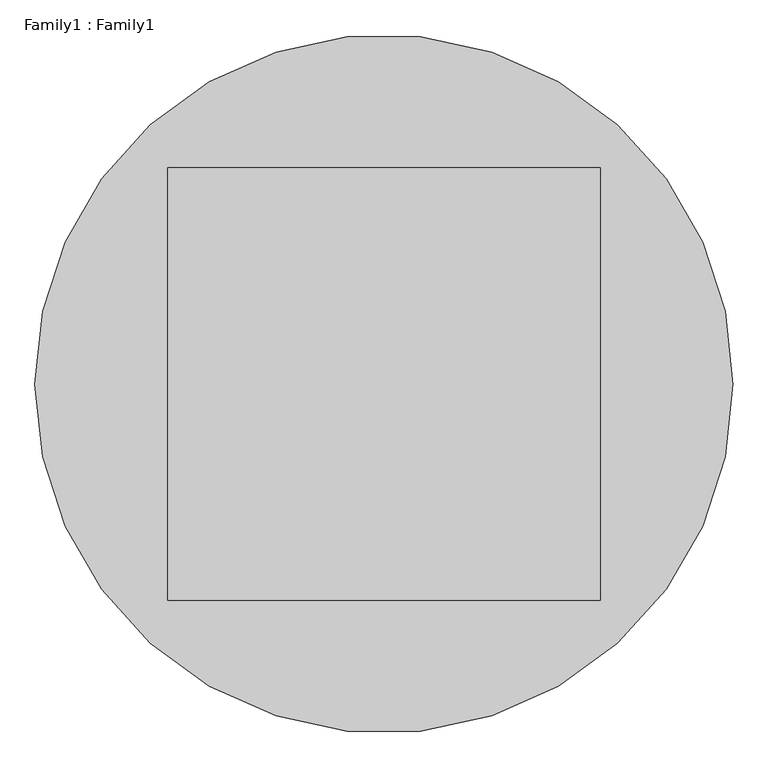
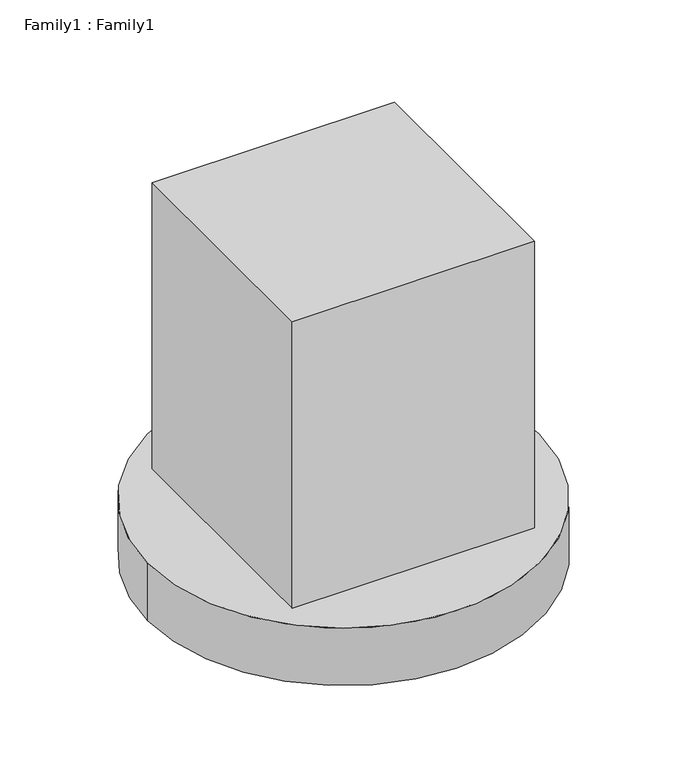
"""IFC4 building model written with IfcOpenShell, lengths in millimetres: proxy geometry, Family1 : Family1."""

from ifc_helpers import new_model, si_unit, point, frame, origin, origin_with_axes, origin_2d, place, context, project, spatial, polyline, circle_curve, trimmed, segment, composite_curve, outline, extrude, source, transform, mapped, element, save


def family1_family1_5703c362(model_context):
    return source(origin(), model_context, "Body", "SweptSolid", [
        extrude(outline(composite_curve([segment(trimmed(circle_curve(origin_2d(), 807.1067812), [point((-807.1067812, 0.0))], [point((807.1067812, 0.0))], False, "CARTESIAN"), True, "CONTINUOUS"), segment(trimmed(circle_curve(origin_2d(), 807.1067812), [point((807.1067812, 0.0))], [point((-807.1067812, 0.0))], False, "CARTESIAN"), True, "CONTINUOUS")], self_intersect=False)), origin_with_axes(), (0.0, 0.0, 1.0), 250.0),
        extrude(outline(polyline([(500.0, 500.0), (500.0, -500.0), (-500.0, -500.0), (-500.0, 500.0), (500.0, 500.0)])), frame((0.0, 0.0, 250.0), z_axis=(0.0, 0.0, 1.0), x_axis=(1.0, 0.0, 0.0)), (0.0, 0.0, 1.0), 1250.0),
    ])


if __name__ == "__main__":
    model = new_model("IFC4")
    model_context = context("Model", 3, world=origin())
    ifc_project = project(units=[si_unit("LENGTHUNIT", "METRE", prefix="MILLI")], contexts=[model_context])
    site = spatial("IfcSite", under=ifc_project)
    building = spatial("IfcBuilding", under=site)
    placement = place(None, origin())
    family1_family1_shape = family1_family1_5703c362(model_context)
    element("IfcBuildingElementProxy", 1, Name="Family1 : Family1", ObjectType="Family1 : Family1", at=placement, inside=building, context=model_context, shape_type="MappedRepresentation", body=[
        mapped(family1_family1_shape, transform((0.0, 0.0, 0.0), x_axis=(1.0, 0.0, 0.0), y_axis=(0.0, 1.0, 0.0), z_axis=(0.0, 0.0, 1.0))),
    ])
    save(model, "model.ifc")
